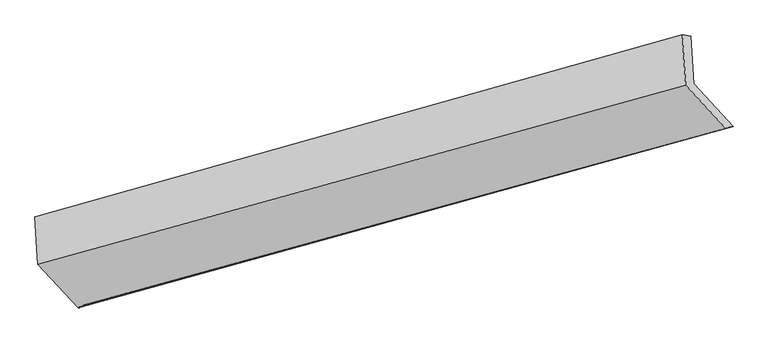
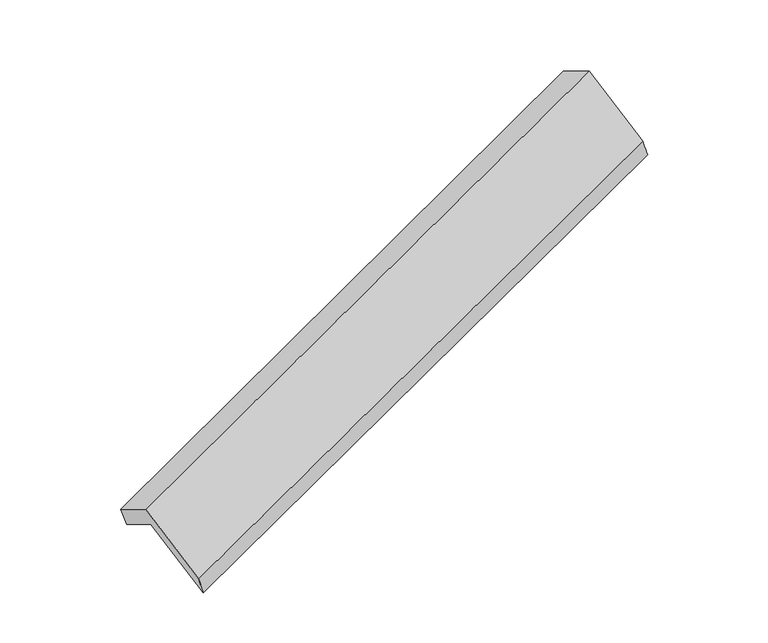
"""IFC4 building model written with IfcOpenShell, lengths in millimetres: proxy geometry."""

from ifc_helpers import new_model, si_unit, frame, origin, place, context, project, spatial, source, transform, mapped, element, save
from ifc_brep_helpers import plane_surface, spline_surface, advanced_brep


def generic_models_76e0cda3(model_context):
    return source(origin(), model_context, "Body", "AdvancedBrep", [
        advanced_brep(
        [(-5132.5863212, -2120.3970122, 1291.8109488), (-5152.857991, -1802.6698315, 1105.1496999), (-724.0335607, -574.7483075, 2694.5197359), (-703.2126097, -901.084624, 2886.2387581), (-5206.8960226, -1810.831962, 1261.5110117), (-779.1701547, -565.6921664, 2840.7655012), (-5186.0661005, -2137.3088885, 1453.3126407), (-757.2416702, -909.3873645, 3042.6826768), (-4911.6658302, -2434.2382331, 918.0913467), (-482.8413999, -1206.3167091, 2507.4613828), (-4862.5166065, -2412.6402497, 765.0364598), (-433.142895, -1193.3278616, 2359.4642691)],
        [
            (0, 1),
            (1, 2),
            (2, 3),
            (3, 0),
            (1, 4),
            (4, 5),
            (5, 2),
            (4, 6),
            (6, 7),
            (7, 5),
            (6, 8),
            (8, 9),
            (9, 7),
            (8, 10),
            (10, 11),
            (11, 9),
            (10, 0),
            (3, 11),
        ],
        [
            plane_surface(frame((-5142.7221561, -1961.5334218, 1198.4803244), z_axis=(0.40908614646246166, -0.4426733298635845, -0.7979278462367259), x_axis=(-0.054928117322158666, 0.8609135823725542, -0.5057773280939931))),
            spline_surface(1, 1, [[(-5152.857991, -1802.6698315, 1105.1496999), (-724.0335607, -574.7483075, 2694.5197359)], [(-5206.8960226, -1810.831962, 1261.5110117), (-779.1701547, -565.6921664, 2840.7655012)]], [2, 2], [2, 2], [0.0, 1.0], [0.0, 1.0]),
            plane_surface(frame((-5196.4810616, -1974.0704253, 1357.4118262), z_axis=(-0.4090861464624591, 0.44267332986358643, 0.7979278462367257), x_axis=(0.054928117322158805, -0.8609135823725532, 0.5057773280939946))),
            plane_surface(frame((-5048.8659653, -2285.7735608, 1185.7019937), z_axis=(0.05680101919501876, -0.8603961601060103, 0.5064504831602396), x_axis=(0.4090861464624664, -0.44267332986358243, -0.7979278462367243))),
            spline_surface(1, 1, [[(-4911.6658302, -2434.2382331, 918.0913467), (-482.8413999, -1206.3167091, 2507.4613828)], [(-4862.5166065, -2412.6402497, 765.0364598), (-433.142895, -1193.3278616, 2359.4642691)]], [2, 2], [2, 2], [0.0, 1.0], [0.0, 1.0]),
            plane_surface(frame((-4997.5514638, -2266.518631, 1028.4237043), z_axis=(-0.05492811732216751, 0.8609135823725621, -0.5057773280939787), x_axis=(-0.4090861464624542, 0.44267332986357005, 0.7979278462367374))),
            plane_surface(frame((-646.6070484, -891.7595055, 2721.8553873), z_axis=(0.9108410545753515, 0.2507351724707887, 0.3278726072518194), x_axis=(0.3172416077483361, 0.08291200887026547, -0.9447133751029188))),
            plane_surface(frame((-5075.4314787, -2119.6810295, 1132.4853513), z_axis=(-0.9108410545753489, -0.25073517247077354, -0.32787260725183726), x_axis=(0.4090861464624628, -0.4426733298635793, -0.7979278462367279))),
        ],
        [
            (0, [[1, 2, 3, 4]]),
            (1, [[5, 6, 7, -2]]),
            (2, [[8, 9, 10, -6]]),
            (3, [[11, 12, 13, -9]]),
            (4, [[14, 15, 16, -12]]),
            (5, [[17, -4, 18, -15]]),
            (6, [[-16, -18, -3, -7, -10, -13]]),
            (7, [[-17, -14, -11, -8, -5, -1]]),
        ],
    ),
    ])


if __name__ == "__main__":
    model = new_model("IFC4")
    model_context = context("Model", 3, world=origin())
    ifc_project = project(units=[si_unit("LENGTHUNIT", "METRE", prefix="MILLI")], contexts=[model_context])
    site = spatial("IfcSite", under=ifc_project)
    building = spatial("IfcBuilding", under=site)
    placement = place(None, origin())
    generic_models_shape = generic_models_76e0cda3(model_context)
    element("IfcBuildingElementProxy", 1, Name="Generic Models", at=placement, inside=building, context=model_context, shape_type="MappedRepresentation", body=[
        mapped(generic_models_shape, transform((0.0, 0.0, 0.0), x_axis=(1.0, 0.0, 0.0), y_axis=(0.0, 1.0, 0.0), z_axis=(0.0, 0.0, 1.0))),
    ])
    save(model, "model.ifc")
